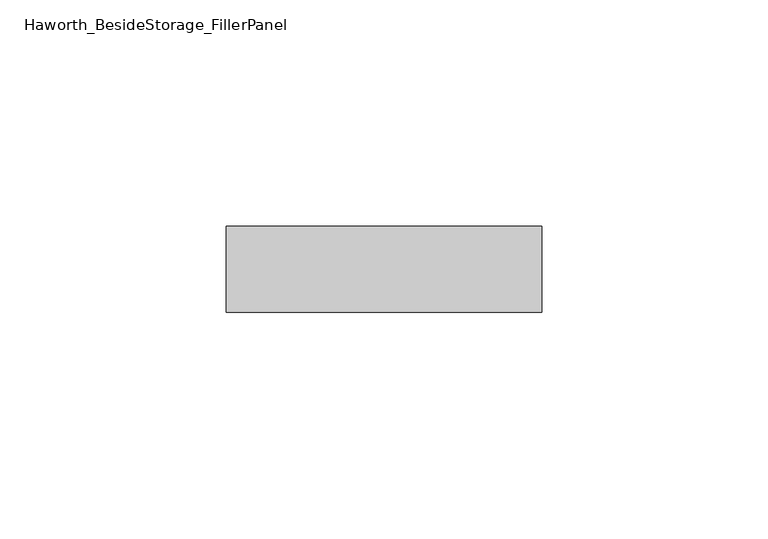
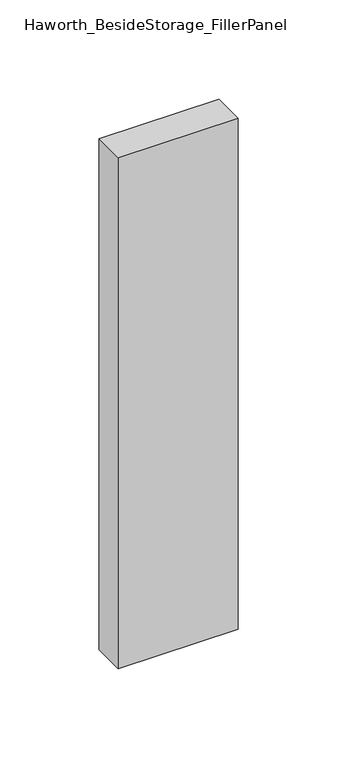
"""IFC4 building model written with IfcOpenShell, lengths in millimetres: furniture geometry, Haworth_BesideStorage_FillerPanel."""

from ifc_helpers import new_model, si_unit, frame, origin, place, context, project, spatial, polyline, outline, extrude, source, transform, mapped, element, save


def haworth_besidestorage_fillerpanel_6d968808(model_context):
    return source(origin(), model_context, "Body", "SweptSolid", [
        extrude(outline(polyline([(336.55, 247.8645843), (336.55, 228.8145843), (266.7, 228.8145843), (266.7, 247.8645843), (336.55, 247.8645843)])), frame((0.0, 0.0, 44.45), z_axis=(0.0, 0.0, 1.0), x_axis=(1.0, 0.0, 0.0)), (0.0, 0.0, 1.0), 314.325),
    ])


if __name__ == "__main__":
    model = new_model("IFC4")
    model_context = context("Model", 3, world=origin())
    ifc_project = project(units=[si_unit("LENGTHUNIT", "METRE", prefix="MILLI")], contexts=[model_context])
    site = spatial("IfcSite", under=ifc_project)
    building = spatial("IfcBuilding", under=site)
    placement = place(None, origin())
    haworth_besidestorage_fillerpanel_shape = haworth_besidestorage_fillerpanel_6d968808(model_context)
    element("IfcFurniture", 1, ObjectType="Haworth_BesideStorage_FillerPanel", at=placement, inside=building, context=model_context, shape_type="MappedRepresentation", body=[
        mapped(haworth_besidestorage_fillerpanel_shape, transform((0.0, 0.0, 0.0), x_axis=(1.0, 0.0, 0.0), y_axis=(0.0, 1.0, 0.0), z_axis=(0.0, 0.0, 1.0))),
    ])
    save(model, "model.ifc")
